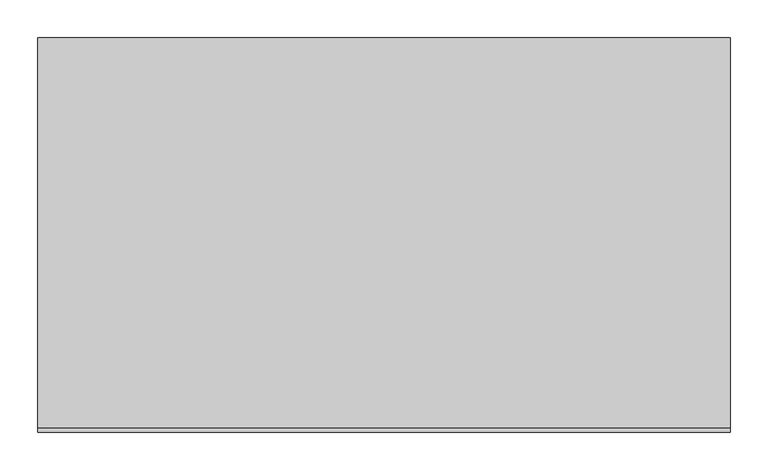
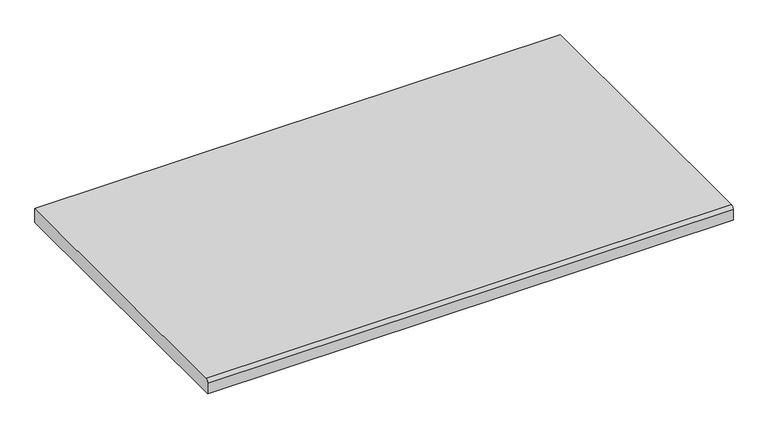
"""IFC4 building model written with IfcOpenShell, lengths in millimetres: furniture geometry."""

from ifc_helpers import new_model, si_unit, point, frame, frame_2d, origin, place, context, project, spatial, polyline, circle_curve, trimmed, segment, composite_curve, outline, extrude, source, transform, mapped, element, save


def furniture_065c9175(model_context):
    return source(origin(), model_context, "Body", "SweptSolid", [
        extrude(outline(composite_curve([segment(polyline([(-366.141, 736.71684), (148.971, 736.71684), (148.971, 711.31684), (-371.729, 711.31684), (-371.729, 731.12884)]), True, "CONTINUOUS"), segment(trimmed(circle_curve(frame_2d((-366.141, 731.12884)), 5.588), [point((-371.729, 731.12884))], [point((-366.141, 736.71684))], False, "CARTESIAN"), True, "CONTINUOUS")], self_intersect=False)), frame((-457.2, 0.0, 0.0), z_axis=(1.0, 0.0, 0.0), x_axis=(0.0, 1.0, 0.0)), (0.0, 0.0, 1.0), 914.4),
    ])


if __name__ == "__main__":
    model = new_model("IFC4")
    model_context = context("Model", 3, world=origin())
    ifc_project = project(units=[si_unit("LENGTHUNIT", "METRE", prefix="MILLI")], contexts=[model_context])
    site = spatial("IfcSite", under=ifc_project)
    building = spatial("IfcBuilding", under=site)
    placement = place(None, origin())
    furniture_shape = furniture_065c9175(model_context)
    element("IfcFurniture", 1, at=placement, inside=building, context=model_context, shape_type="MappedRepresentation", body=[
        mapped(furniture_shape, transform((0.0, 0.0, 0.0), x_axis=(1.0, 0.0, 0.0), y_axis=(0.0, 1.0, 0.0), z_axis=(0.0, 0.0, 1.0))),
    ])
    save(model, "model.ifc")
